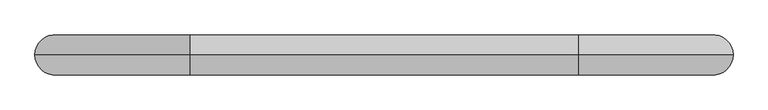
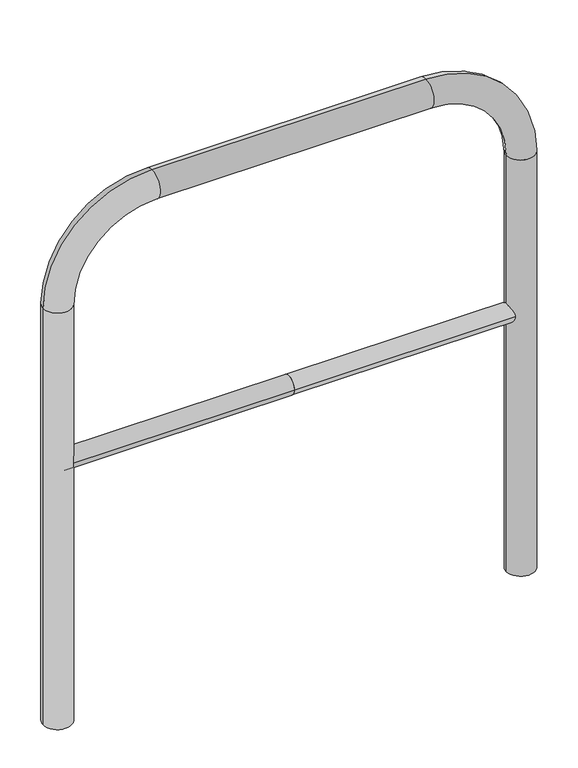
"""IFC4 building model written with IfcOpenShell, lengths in millimetres: proxy geometry."""

from ifc_helpers import new_model, si_unit, point, frame, frame_2d, origin, place, context, project, spatial, circle_curve, ellipse_curve, trimmed, segment, composite_curve, outline, extrude, source, transform, mapped, element, save
from ifc_brep_helpers import plane_surface, cylinder_surface, revolved_surface, advanced_brep


def generic_models_a79f2013(model_context):
    return source(origin(), model_context, "Body", "SolidModel", [
        extrude(outline(composite_curve([segment(trimmed(circle_curve(frame_2d((0.0, 498.4778375)), 20.0), [point((-20.0, 498.4778375))], [point((20.0, 498.4778375))], False, "CARTESIAN"), True, "CONTINUOUS"), segment(trimmed(circle_curve(frame_2d((0.0, 498.4778375)), 20.0), [point((20.0, 498.4778375))], [point((-20.0, 498.4778375))], False, "CARTESIAN"), True, "CONTINUOUS")], self_intersect=False)), frame((-489.3399653, 0.0, 0.0), z_axis=(1.0, 0.0, 0.0), x_axis=(0.0, 1.0, 0.0)), (0.0, 0.0, 1.0), 489.3399653),
        extrude(outline(composite_curve([segment(trimmed(circle_curve(frame_2d((0.0, 498.4778375)), 20.0), [point((-20.0, 498.4778375))], [point((20.0, 498.4778375))], False, "CARTESIAN"), True, "CONTINUOUS"), segment(trimmed(circle_curve(frame_2d((0.0, 498.4778375)), 20.0), [point((20.0, 498.4778375))], [point((-20.0, 498.4778375))], False, "CARTESIAN"), True, "CONTINUOUS")], self_intersect=False)), frame((0.0, 0.0, 0.0), z_axis=(1.0, 0.0, 0.0), x_axis=(0.0, 1.0, 0.0)), (0.0, 0.0, 1.0), 489.3399653),
        advanced_brep(
        [(-459.3399653, 0.0, -80.0), (-519.3399653, 0.0, -80.0), (-459.3399653, 0.0, 850.0), (-519.3399653, 0.0, 850.0), (-289.3399653, 0.0, 1080.0), (-289.3399653, 0.0, 1020.0), (289.3399653, 0.0, 1020.0), (289.3399653, 0.0, 1080.0), (519.3399653, 0.0, 850.0), (459.3399653, 0.0, 850.0), (459.3399653, 0.0, -80.0), (519.3399653, 0.0, -80.0)],
        [
            (0, 1, circle_curve(frame((-489.3399653, 0.0, -80.0), z_axis=(0.0, 0.0, -1.0), x_axis=(-1.0, 0.0, 0.0)), 30.0)),
            (1, 0, circle_curve(frame((-489.3399653, 0.0, -80.0), z_axis=(0.0, 0.0, -1.0), x_axis=(-1.0, 0.0, 0.0)), 30.0)),
            (0, 2),
            (2, 3, circle_curve(frame((-489.3399653, 0.0, 850.0), z_axis=(0.0, 0.0, -1.0), x_axis=(-1.0, 0.0, 0.0)), 30.0)),
            (3, 1),
            (3, 2, circle_curve(frame((-489.3399653, 0.0, 850.0), z_axis=(0.0, 0.0, -1.0), x_axis=(-1.0, 0.0, 0.0)), 30.0)),
            (4, 3, circle_curve(frame((-289.3399653, 0.0, 850.0), z_axis=(0.0, -1.0, 0.0), x_axis=(-1.0, 0.0, 0.0)), 230.0)),
            (2, 5, circle_curve(frame((-289.3399653, 0.0, 850.0), z_axis=(0.0, 1.0, 0.0), x_axis=(-1.0, 0.0, 0.0)), 170.0)),
            (5, 4, circle_curve(frame((-289.3399653, 0.0, 1050.0), z_axis=(-1.0, 0.0, 0.0), x_axis=(0.0, 0.0, 1.0)), 30.0)),
            (4, 5, circle_curve(frame((-289.3399653, 0.0, 1050.0), z_axis=(-1.0, 0.0, 0.0), x_axis=(0.0, 0.0, 1.0)), 30.0)),
            (5, 6),
            (6, 7, circle_curve(frame((289.3399653, 0.0, 1050.0), z_axis=(-1.0, 0.0, 0.0), x_axis=(0.0, 0.0, 1.0)), 30.0)),
            (7, 4),
            (7, 6, circle_curve(frame((289.3399653, 0.0, 1050.0), z_axis=(-1.0, 0.0, 0.0), x_axis=(0.0, 0.0, 1.0)), 30.0)),
            (8, 7, circle_curve(frame((289.3399653, 0.0, 850.0), z_axis=(0.0, -1.0, 0.0), x_axis=(0.0, 0.0, 1.0)), 230.0)),
            (6, 9, circle_curve(frame((289.3399653, 0.0, 850.0), z_axis=(0.0, 1.0, 0.0), x_axis=(0.0, 0.0, 1.0)), 170.0)),
            (9, 8, circle_curve(frame((489.3399653, 0.0, 850.0), z_axis=(0.0, 0.0, 1.0), x_axis=(1.0, 0.0, 0.0)), 30.0)),
            (8, 9, circle_curve(frame((489.3399653, 0.0, 850.0), z_axis=(0.0, 0.0, 1.0), x_axis=(1.0, 0.0, 0.0)), 30.0)),
            (10, 11, circle_curve(frame((489.3399653, 0.0, -80.0), z_axis=(0.0, 0.0, -1.0), x_axis=(1.0, 0.0, 0.0)), 30.0)),
            (11, 10, circle_curve(frame((489.3399653, 0.0, -80.0), z_axis=(0.0, 0.0, -1.0), x_axis=(1.0, 0.0, 0.0)), 30.0)),
            (9, 10),
            (11, 8),
        ],
        [
            plane_surface(frame((-489.3399653, 0.0, -80.0), z_axis=(0.0, 0.0, -1.0), x_axis=(0.0, -1.0, 0.0))),
            cylinder_surface(frame((-489.3399653, 0.0, -80.0), z_axis=(0.0, 0.0, -1.0), x_axis=(-1.0, 0.0, 0.0)), 30.0),
            revolved_surface(trimmed(ellipse_curve(frame((-489.3399653, 0.0, 850.0), z_axis=(0.0, 0.0, -1.0), x_axis=(-1.0, 0.0, 0.0)), 30.0, 30.0), [point((-459.3399653, 0.0, 850.0))], [point((-519.3399653, 0.0, 850.0))], True, "CARTESIAN"), (-289.3399653, 0.0, 850.0), (0.0, 1.0, 0.0)),
            revolved_surface(trimmed(ellipse_curve(frame((-489.3399653, 0.0, 850.0), z_axis=(0.0, 0.0, -1.0), x_axis=(-1.0, 0.0, 0.0)), 30.0, 30.0), [point((-519.3399653, 0.0, 850.0))], [point((-459.3399653, 0.0, 850.0))], True, "CARTESIAN"), (-289.3399653, 0.0, 850.0), (0.0, 1.0, 0.0)),
            cylinder_surface(frame((-289.3399653, 0.0, 1050.0), z_axis=(-1.0, 0.0, 0.0), x_axis=(0.0, 0.0, 1.0)), 30.0),
            revolved_surface(trimmed(ellipse_curve(frame((289.3399653, 0.0, 1050.0), z_axis=(-1.0, 0.0, 0.0), x_axis=(0.0, 0.0, 1.0)), 30.0, 30.0), [point((289.3399653, 0.0, 1020.0))], [point((289.3399653, 0.0, 1080.0))], True, "CARTESIAN"), (289.3399653, 0.0, 850.0), (0.0, 1.0, 0.0)),
            revolved_surface(trimmed(ellipse_curve(frame((289.3399653, 0.0, 1050.0), z_axis=(-1.0, 0.0, 0.0), x_axis=(0.0, 0.0, 1.0)), 30.0, 30.0), [point((289.3399653, 0.0, 1080.0))], [point((289.3399653, 0.0, 1020.0))], True, "CARTESIAN"), (289.3399653, 0.0, 850.0), (0.0, 1.0, 0.0)),
            plane_surface(frame((489.3399653, 0.0, -80.0), z_axis=(0.0, 0.0, -1.0), x_axis=(0.0, -1.0, 0.0))),
            cylinder_surface(frame((489.3399653, 0.0, 850.0), z_axis=(0.0, 0.0, 1.0), x_axis=(1.0, 0.0, 0.0)), 30.0),
        ],
        [
            (0, [[1, 2]]),
            (1, [[-1, 3, 4, 5]]),
            (1, [[-2, -5, 6, -3]]),
            (2, [[7, -4, 8, 9]]),
            (3, [[-8, -6, -7, 10]]),
            (4, [[-9, 11, 12, 13]]),
            (4, [[-10, -13, 14, -11]]),
            (5, [[15, -12, 16, 17]]),
            (6, [[-16, -14, -15, 18]]),
            (7, [[19, 20]]),
            (8, [[-17, 21, -20, 22]]),
            (8, [[-18, -22, -19, -21]]),
        ],
    ),
    ])


if __name__ == "__main__":
    model = new_model("IFC4")
    model_context = context("Model", 3, world=origin())
    ifc_project = project(units=[si_unit("LENGTHUNIT", "METRE", prefix="MILLI")], contexts=[model_context])
    site = spatial("IfcSite", under=ifc_project)
    building = spatial("IfcBuilding", under=site)
    placement = place(None, origin())
    generic_models_shape = generic_models_a79f2013(model_context)
    element("IfcBuildingElementProxy", 1, Name="Generic Models", at=placement, inside=building, context=model_context, shape_type="MappedRepresentation", body=[
        mapped(generic_models_shape, transform((0.0, 0.0, 0.0), x_axis=(1.0, 0.0, 0.0), y_axis=(0.0, 1.0, 0.0), z_axis=(0.0, 0.0, 1.0))),
    ])
    save(model, "model.ifc")
